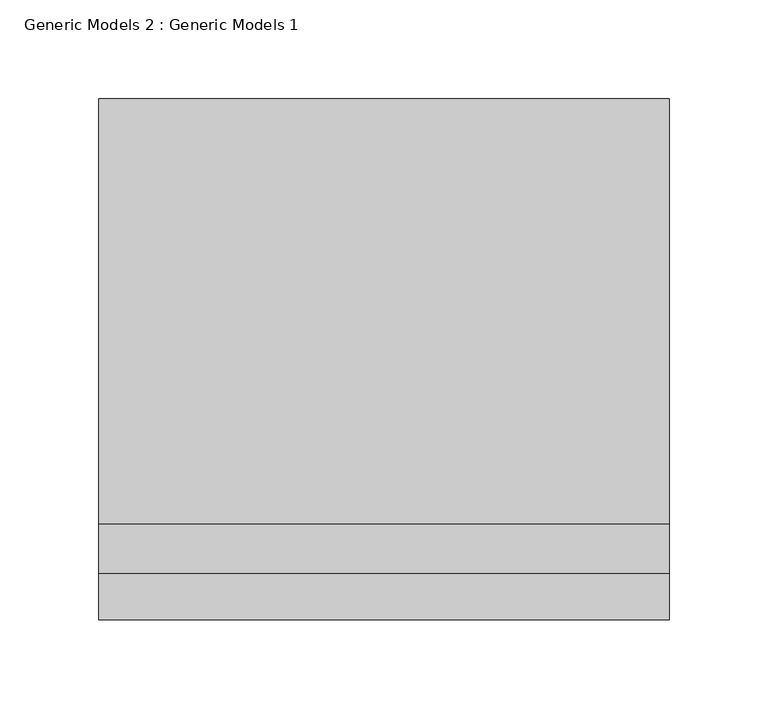
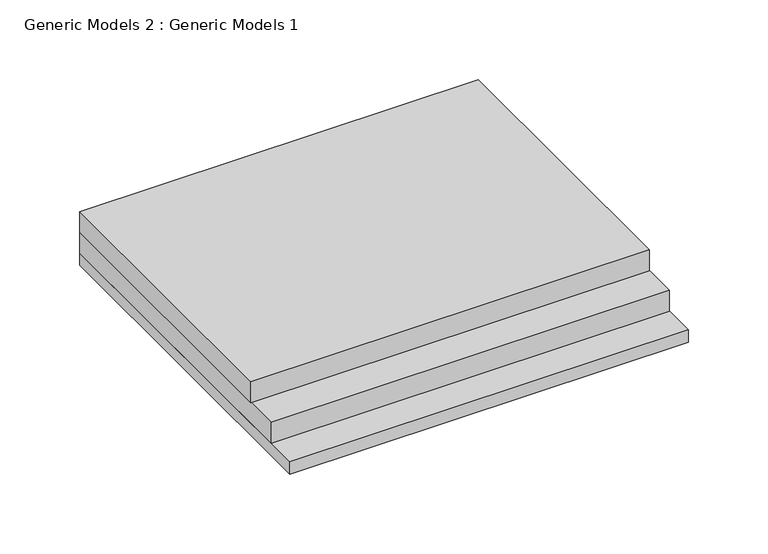
"""IFC4 building model written with IfcOpenShell, lengths in millimetres: proxy geometry, Generic Models 2 : Generic Models 1."""

from ifc_helpers import new_model, si_unit, frame, origin, place, context, project, spatial, polyline, outline, extrude, source, transform, mapped, element, save


def generic_models_2_generic_models_1_48b1e020(model_context):
    return source(origin(), model_context, "Body", "SweptSolid", [
        extrude(outline(polyline([(98.5378202, 393.8469389), (387.35, 393.8469389), (387.35, 178.7737019), (98.5378202, 178.7737019), (98.5378202, 393.8469389)])), frame((0.0, 0.0, 220.6625), z_axis=(0.0, 0.0, 1.0), x_axis=(1.0, 0.0, 0.0)), (0.0, 0.0, 1.0), 15.875),
        extrude(outline(polyline([(98.5378202, 393.8469389), (387.35, 393.8469389), (387.35, 153.6372936), (98.5378202, 153.6372936), (98.5378202, 393.8469389)])), frame((0.0, 0.0, 204.7875), z_axis=(0.0, 0.0, 1.0), x_axis=(1.0, 0.0, 0.0)), (0.0, 0.0, 1.0), 15.875),
        extrude(outline(polyline([(98.5378202, 393.8469389), (387.35, 393.8469389), (387.35, 129.9823887), (98.5378202, 129.9823887), (98.5378202, 393.8469389)])), frame((0.0, 0.0, 195.2625), z_axis=(0.0, 0.0, 1.0), x_axis=(1.0, 0.0, 0.0)), (0.0, 0.0, 1.0), 9.525),
    ])


if __name__ == "__main__":
    model = new_model("IFC4")
    model_context = context("Model", 3, world=origin())
    ifc_project = project(units=[si_unit("LENGTHUNIT", "METRE", prefix="MILLI")], contexts=[model_context])
    site = spatial("IfcSite", under=ifc_project)
    building = spatial("IfcBuilding", under=site)
    placement = place(None, origin())
    generic_models_2_generic_models_1_shape = generic_models_2_generic_models_1_48b1e020(model_context)
    element("IfcBuildingElementProxy", 1, Name="Generic Models 2 : Generic Models 1", ObjectType="Generic Models 2 : Generic Models 1", at=placement, inside=building, context=model_context, shape_type="MappedRepresentation", body=[
        mapped(generic_models_2_generic_models_1_shape, transform((0.0, 0.0, 0.0), x_axis=(1.0, 0.0, 0.0), y_axis=(0.0, 1.0, 0.0), z_axis=(0.0, 0.0, 1.0))),
    ])
    save(model, "model.ifc")
